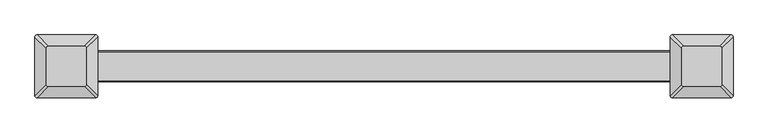
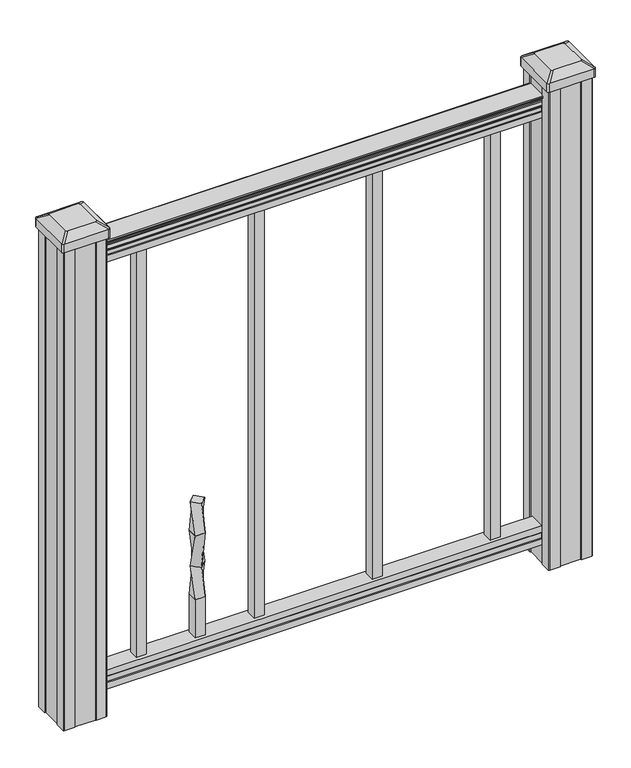
"""IFC4 building model written with IfcOpenShell, lengths in millimetres: proxy geometry."""

from ifc_helpers import new_model, si_unit, point, frame, frame_2d, origin, place, context, project, spatial, polyline, circle_curve, trimmed, segment, composite_curve, outline, extrude, source, transform, mapped, element, save
from ifc_brep_helpers import plane_surface, extruded_surface, spline_surface, advanced_brep


def specialty_equipment_ac6cd1ac(model_context):
    return source(origin(), model_context, "Body", "SolidModel", [
        advanced_brep(
        [(-222.25, 13.4703842, 368.3), (-235.7203842, 0.0, 368.3), (-222.25, -13.4703842, 368.3), (-208.7796158, 0.0, 368.3), (-231.775, 9.525, 304.8), (-212.725, 9.525, 304.8), (-212.725, -9.525, 304.8), (-231.775, -9.525, 304.8)],
        [
            (0, 1),
            (1, 2),
            (2, 3),
            (3, 0),
            (4, 5),
            (5, 6),
            (6, 7),
            (7, 4),
            (4, 0),
            (3, 5),
            (2, 6),
            (1, 7),
        ],
        [
            plane_surface(frame((-222.25, 0.0, 368.3), z_axis=(0.0, 0.0, 1.0000000000000002), x_axis=(0.7071067811865481, -0.707106781186547, 0.0))),
            plane_surface(frame((-222.25, 0.0, 304.8), z_axis=(0.0, 0.0, -1.0000000000000002), x_axis=(0.7071067811865481, -0.707106781186547, 0.0))),
            spline_surface(1, 1, [[(-212.725, 9.525, 304.8), (-208.7796158, 0.0, 368.3)], [(-231.775, 9.525, 304.8), (-222.25, 13.4703842, 368.3)]], [2, 2], [2, 2], [0.0, 1.0], [0.0, 1.0]),
            spline_surface(1, 1, [[(-212.725, -9.525, 304.8), (-222.25, -13.4703842, 368.3)], [(-212.725, 9.525, 304.8), (-208.7796158, 0.0, 368.3)]], [2, 2], [2, 2], [0.0, 1.0], [0.0, 1.0]),
            spline_surface(1, 1, [[(-231.775, -9.525, 304.8), (-235.7203842, 0.0, 368.3)], [(-212.725, -9.525, 304.8), (-222.25, -13.4703842, 368.3)]], [2, 2], [2, 2], [0.0, 1.0], [0.0, 1.0]),
            spline_surface(1, 1, [[(-231.775, 9.525, 304.8), (-222.25, 13.4703842, 368.3)], [(-231.775, -9.525, 304.8), (-235.7203842, 0.0, 368.3)]], [2, 2], [2, 2], [0.0, 1.0], [0.0, 1.0]),
        ],
        [
            (0, [[1, 2, 3, 4]]),
            (1, [[5, 6, 7, 8]]),
            (2, [[-5, 9, -4, 10]]),
            (3, [[-6, -10, -3, 11]]),
            (4, [[-7, -11, -2, 12]]),
            (5, [[-8, -12, -1, -9]]),
        ],
    ),
        advanced_brep(
        [(-231.775, 9.525, 304.8), (-231.775, -9.525, 304.8), (-212.725, -9.525, 304.8), (-212.725, 9.525, 304.8), (-222.25, 13.4703842, 241.3), (-208.7796158, 0.0, 241.3), (-222.25, -13.4703842, 241.3), (-235.7203842, 0.0, 241.3)],
        [
            (0, 1),
            (1, 2),
            (2, 3),
            (3, 0),
            (4, 5),
            (5, 6),
            (6, 7),
            (7, 4),
            (4, 0),
            (3, 5),
            (2, 6),
            (1, 7),
        ],
        [
            plane_surface(frame((-222.25, 0.0, 304.8), z_axis=(0.0, 0.0, 1.0), x_axis=(0.0, -1.0, 0.0))),
            plane_surface(frame((-222.25, 0.0, 241.3), z_axis=(0.0, 0.0, -1.0), x_axis=(0.0, -1.0, 0.0))),
            spline_surface(1, 1, [[(-208.7796158, 0.0, 241.3), (-212.725, 9.525, 304.8)], [(-222.25, 13.4703842, 241.3), (-231.775, 9.525, 304.8)]], [2, 2], [2, 2], [0.0, 1.0], [0.0, 1.0]),
            spline_surface(1, 1, [[(-222.25, -13.4703842, 241.3), (-212.725, -9.525, 304.8)], [(-208.7796158, 0.0, 241.3), (-212.725, 9.525, 304.8)]], [2, 2], [2, 2], [0.0, 1.0], [0.0, 1.0]),
            spline_surface(1, 1, [[(-235.7203842, 0.0, 241.3), (-231.775, -9.525, 304.8)], [(-222.25, -13.4703842, 241.3), (-212.725, -9.525, 304.8)]], [2, 2], [2, 2], [0.0, 1.0], [0.0, 1.0]),
            spline_surface(1, 1, [[(-222.25, 13.4703842, 241.3), (-231.775, 9.525, 304.8)], [(-235.7203842, 0.0, 241.3), (-231.775, -9.525, 304.8)]], [2, 2], [2, 2], [0.0, 1.0], [0.0, 1.0]),
        ],
        [
            (0, [[1, 2, 3, 4]]),
            (1, [[5, 6, 7, 8]]),
            (2, [[-5, 9, -4, 10]]),
            (3, [[-6, -10, -3, 11]]),
            (4, [[-7, -11, -2, 12]]),
            (5, [[-8, -12, -1, -9]]),
        ],
    ),
        advanced_brep(
        [(-222.25, 13.4703842, 241.3), (-235.7203842, 0.0, 241.3), (-222.25, -13.4703842, 241.3), (-208.7796158, 0.0, 241.3), (-231.775, 9.525, 177.8), (-212.725, 9.525, 177.8), (-212.725, -9.525, 177.8), (-231.775, -9.525, 177.8)],
        [
            (0, 1),
            (1, 2),
            (2, 3),
            (3, 0),
            (4, 5),
            (5, 6),
            (6, 7),
            (7, 4),
            (4, 0),
            (3, 5),
            (2, 6),
            (1, 7),
        ],
        [
            plane_surface(frame((-222.25, 0.0, 241.3), z_axis=(0.0, 0.0, 1.0000000000000002), x_axis=(0.7071067811865481, -0.707106781186547, 0.0))),
            plane_surface(frame((-222.25, 0.0, 177.8), z_axis=(0.0, 0.0, -1.0000000000000002), x_axis=(0.7071067811865481, -0.707106781186547, 0.0))),
            spline_surface(1, 1, [[(-212.725, 9.525, 177.8), (-208.7796158, 0.0, 241.3)], [(-231.775, 9.525, 177.8), (-222.25, 13.4703842, 241.3)]], [2, 2], [2, 2], [0.0, 1.0], [0.0, 1.0]),
            spline_surface(1, 1, [[(-212.725, -9.525, 177.8), (-222.25, -13.4703842, 241.3)], [(-212.725, 9.525, 177.8), (-208.7796158, 0.0, 241.3)]], [2, 2], [2, 2], [0.0, 1.0], [0.0, 1.0]),
            spline_surface(1, 1, [[(-231.775, -9.525, 177.8), (-235.7203842, 0.0, 241.3)], [(-212.725, -9.525, 177.8), (-222.25, -13.4703842, 241.3)]], [2, 2], [2, 2], [0.0, 1.0], [0.0, 1.0]),
            spline_surface(1, 1, [[(-231.775, 9.525, 177.8), (-222.25, 13.4703842, 241.3)], [(-231.775, -9.525, 177.8), (-235.7203842, 0.0, 241.3)]], [2, 2], [2, 2], [0.0, 1.0], [0.0, 1.0]),
        ],
        [
            (0, [[1, 2, 3, 4]]),
            (1, [[5, 6, 7, 8]]),
            (2, [[-5, 9, -4, 10]]),
            (3, [[-6, -10, -3, 11]]),
            (4, [[-7, -11, -2, 12]]),
            (5, [[-8, -12, -1, -9]]),
        ],
    ),
        extrude(outline(polyline([(-212.725, 9.525), (-212.725, -9.525), (-231.775, -9.525), (-231.775, 9.525), (-212.725, 9.525)])), frame((0.0, 0.0, 101.6), z_axis=(0.0, 0.0, 1.0), x_axis=(1.0, 0.0, 0.0)), (0.0, 0.0, 1.0), 76.2),
        extrude(outline(composite_curve([segment(polyline([(938.4043297, 17.4328287), (940.292412, 17.4328287)]), True, "CONTINUOUS"), segment(trimmed(circle_curve(frame_2d((946.0506383, 11.1180755)), 8.545951), [point((940.292412, 17.4328287))], [point((941.8546695, 18.563015))], False, "CARTESIAN"), True, "CONTINUOUS"), segment(trimmed(circle_curve(frame_2d((945.4636577, 11.5551384)), 7.882584), [point((941.8546695, 18.563015))], [point((949.0726458, 18.563015))], False, "CARTESIAN"), True, "CONTINUOUS"), segment(trimmed(circle_curve(frame_2d((951.3112527, 22.0684625)), 4.1592695), [point((949.0726458, 18.563015))], [point((951.5060812, 17.9137586))], True, "CARTESIAN"), True, "CONTINUOUS"), segment(trimmed(circle_curve(frame_2d((951.2508864, 23.3557691)), 5.4479907), [point((951.5060812, 17.9137586))], [point((955.8362083, 20.4137586))], True, "CARTESIAN"), True, "CONTINUOUS"), segment(trimmed(circle_curve(frame_2d((955.833395, 22.1226107)), 1.7088543), [point((955.8362083, 20.4137586))], [point((957.5157972, 21.8231011))], True, "CARTESIAN"), True, "CONTINUOUS"), segment(trimmed(circle_curve(frame_2d((958.6205318, 20.5057106)), 1.7192895), [point((957.5157972, 21.8231011))], [point((958.6205318, 22.2250001))], False, "CARTESIAN"), True, "CONTINUOUS"), segment(polyline([(958.6205318, 22.2250001), (959.9608158, 22.225)]), True, "CONTINUOUS"), segment(trimmed(circle_curve(frame_2d((959.9608158, 20.6715528)), 1.5534472), [point((959.9608158, 22.225))], [point((961.514263, 20.6715528))], False, "CARTESIAN"), True, "CONTINUOUS"), segment(polyline([(961.514263, 20.6715528), (961.514263, -20.6715528)]), True, "CONTINUOUS"), segment(trimmed(circle_curve(frame_2d((959.9608158, -20.6715528)), 1.5534472), [point((961.514263, -20.6715528))], [point((959.9608158, -22.225))], False, "CARTESIAN"), True, "CONTINUOUS"), segment(polyline([(959.9608158, -22.225), (958.6205318, -22.225)]), True, "CONTINUOUS"), segment(trimmed(circle_curve(frame_2d((958.6205318, -20.5057106)), 1.7192895), [point((958.6205318, -22.225))], [point((957.5157972, -21.8231011))], False, "CARTESIAN"), True, "CONTINUOUS"), segment(trimmed(circle_curve(frame_2d((955.833395, -22.1226107)), 1.7088543), [point((957.5157972, -21.8231011))], [point((955.8362083, -20.4137586))], True, "CARTESIAN"), True, "CONTINUOUS"), segment(trimmed(circle_curve(frame_2d((951.2508864, -23.3557691)), 5.4479907), [point((955.8362083, -20.4137586))], [point((951.5060812, -17.9137586))], True, "CARTESIAN"), True, "CONTINUOUS"), segment(trimmed(circle_curve(frame_2d((951.3112527, -22.0684625)), 4.1592695), [point((951.5060812, -17.9137586))], [point((949.0726458, -18.563015))], True, "CARTESIAN"), True, "CONTINUOUS"), segment(trimmed(circle_curve(frame_2d((945.4636577, -11.5551384)), 7.882584), [point((949.0726458, -18.563015))], [point((941.8546695, -18.563015))], False, "CARTESIAN"), True, "CONTINUOUS"), segment(trimmed(circle_curve(frame_2d((946.0506383, -11.1180755)), 8.545951), [point((941.8546695, -18.563015))], [point((940.292412, -17.4328287))], False, "CARTESIAN"), True, "CONTINUOUS"), segment(polyline([(940.292412, -17.4328287), (938.4043297, -17.4328287)]), True, "CONTINUOUS"), segment(trimmed(circle_curve(frame_2d((938.4043297, -16.1459144)), 1.2869144), [point((938.4043297, -17.4328287))], [point((938.4043297, -14.859))], False, "CARTESIAN"), True, "CONTINUOUS"), segment(polyline([(938.4043297, -14.859), (927.9048283, -14.859), (926.8888283, -15.875), (914.4, -15.875), (914.4, 15.875), (926.731013, 15.875), (927.747013, 14.859), (938.4043297, 14.859)]), True, "CONTINUOUS"), segment(trimmed(circle_curve(frame_2d((938.4043297, 16.1459144)), 1.2869144), [point((938.4043297, 14.859))], [point((938.4043297, 17.4328287))], False, "CARTESIAN"), True, "CONTINUOUS")], self_intersect=False)), frame((457.2, 0.0, 0.0), z_axis=(-1.0, 0.0, 0.0), x_axis=(0.0, 0.0, 1.0)), (0.0, 0.0, 1.0), 914.4),
        extrude(outline(polyline([(-15.9124869, 76.0541976), (-14.8964869, 77.3546183), (-14.8964869, 87.7141717), (-15.9124869, 89.0624492), (-15.9124869, 101.5958781), (15.8375131, 101.5958781), (15.8375131, 89.0458024), (14.8215131, 87.6975248), (14.8215131, 77.3858283), (15.8375131, 76.0375508), (15.8375131, 63.5), (-15.9124869, 63.5), (-15.9124869, 76.0541976)])), frame((-457.2, 0.0, 0.0), z_axis=(1.0, 0.0, 0.0), x_axis=(0.0, 1.0, 0.0)), (0.0, 0.0, 1.0), 914.4),
        advanced_brep(
        [(431.403125, 28.971875, 1012.825), (428.228125, 25.796875, 1012.825), (428.228125, -25.796875, 1012.825), (431.403125, -28.971875, 1012.825), (482.996875, -28.971875, 1012.825), (486.171875, -25.796875, 1012.825), (486.171875, 25.796875, 1012.825), (482.996875, 28.971875, 1012.825), (415.13125, 45.24375, 1001.522), (499.26875, 45.24375, 1001.522), (502.44375, 42.06875, 1001.522), (502.44375, -42.06875, 1001.522), (499.26875, -45.24375, 1001.522), (415.13125, -45.24375, 1001.522), (411.95625, -42.06875, 1001.522), (411.95625, 42.06875, 1001.522)],
        [
            (0, 1, circle_curve(frame((431.403125, 25.796875, 1012.825), z_axis=(0.0, 0.0, 1.0), x_axis=(0.0, -1.0, 0.0)), 3.175)),
            (1, 2),
            (2, 3, circle_curve(frame((431.403125, -25.796875, 1012.825), z_axis=(0.0, 0.0, 1.0), x_axis=(0.0, -1.0, 0.0)), 3.175)),
            (3, 4),
            (4, 5, circle_curve(frame((482.996875, -25.796875, 1012.825), z_axis=(0.0, 0.0, 1.0), x_axis=(0.0, -1.0, 0.0)), 3.175)),
            (5, 6),
            (6, 7, circle_curve(frame((482.996875, 25.796875, 1012.825), z_axis=(0.0, 0.0, 1.0), x_axis=(0.0, -1.0, 0.0)), 3.175)),
            (7, 0),
            (8, 9),
            (9, 10, circle_curve(frame((499.26875, 42.06875, 1001.522), z_axis=(0.0, 0.0, -1.0), x_axis=(0.0, -1.0, 0.0)), 3.175)),
            (10, 11),
            (11, 12, circle_curve(frame((499.26875, -42.06875, 1001.522), z_axis=(0.0, 0.0, -1.0), x_axis=(0.0, -1.0, 0.0)), 3.175)),
            (12, 13),
            (13, 14, circle_curve(frame((415.13125, -42.06875, 1001.522), z_axis=(0.0, 0.0, -1.0), x_axis=(0.0, -1.0, 0.0)), 3.175)),
            (14, 15),
            (15, 8, circle_curve(frame((415.13125, 42.06875, 1001.522), z_axis=(0.0, 0.0, -1.0), x_axis=(0.0, -1.0, 0.0)), 3.175)),
            (15, 1),
            (0, 8),
            (14, 2),
            (13, 3),
            (12, 4),
            (11, 5),
            (10, 6),
            (9, 7),
        ],
        [
            plane_surface(frame((457.2, 0.0, 1012.825), z_axis=(0.0, 0.0, 1.0), x_axis=(-1.0, 0.0, 0.0))),
            plane_surface(frame((457.2, 0.0, 1001.522), z_axis=(0.0, 0.0, -1.0), x_axis=(-1.0, 0.0, 0.0))),
            extruded_surface(trimmed(circle_curve(frame((415.13125, 42.06875, 1001.522), z_axis=(0.0, 0.0, 1.0), x_axis=(0.0, -1.0, 0.0)), 3.175), [point((415.13125, 45.24375, 1001.522))], [point((411.95625, 42.06875, 1001.522))], True, "CARTESIAN"), (16.271874999999966, -16.271875, 11.302999999999997), 25.63797263886614),
            plane_surface(frame((411.95625, 0.0, 1001.522), z_axis=(-0.5705009161540779, 0.0, 0.8212969649690408), x_axis=(0.0, -1.0, 0.0))),
            extruded_surface(trimmed(circle_curve(frame((415.13125, -42.06875, 1001.522), z_axis=(0.0, 0.0, 1.0), x_axis=(0.0, -1.0, 0.0)), 3.175), [point((411.95625, -42.06875, 1001.522))], [point((415.13125, -45.24375, 1001.522))], True, "CARTESIAN"), (16.271874999999966, 16.271875, 11.302999999999997), 25.63797263886614),
            plane_surface(frame((457.2, -45.24375, 1001.522), z_axis=(0.0, -0.5705009161540291, 0.8212969649690747), x_axis=(1.0, 0.0, 0.0))),
            extruded_surface(trimmed(circle_curve(frame((499.26875, -42.06875, 1001.522), z_axis=(0.0, 0.0, 1.0), x_axis=(0.0, -1.0, 0.0)), 3.175), [point((499.26875, -45.24375, 1001.522))], [point((502.44375, -42.06875, 1001.522))], True, "CARTESIAN"), (-16.271875000000023, 16.271875, 11.302999999999997), 25.637972638866177),
            plane_surface(frame((502.44375, 0.0, 1001.522), z_axis=(0.5705009161540141, 0.0, 0.8212969649690851), x_axis=(0.0, 1.0, 0.0))),
            extruded_surface(trimmed(circle_curve(frame((499.26875, 42.06875, 1001.522), z_axis=(0.0, 0.0, 1.0), x_axis=(0.0, -1.0, 0.0)), 3.175), [point((502.44375, 42.06875, 1001.522))], [point((499.26875, 45.24375, 1001.522))], True, "CARTESIAN"), (-16.271875000000023, -16.271875, 11.302999999999997), 25.637972638866177),
            plane_surface(frame((457.2, 45.24375, 1001.522), z_axis=(0.0, 0.570500916154034, 0.8212969649690713), x_axis=(-1.0, 0.0, 0.0))),
        ],
        [
            (0, [[1, 2, 3, 4, 5, 6, 7, 8]]),
            (1, [[9, 10, 11, 12, 13, 14, 15, 16]]),
            (2, [[-16, 17, -1, 18]]),
            (3, [[-15, 19, -2, -17]]),
            (4, [[-14, 20, -3, -19]]),
            (5, [[-13, 21, -4, -20]]),
            (6, [[-12, 22, -5, -21]]),
            (7, [[-11, 23, -6, -22]]),
            (8, [[-10, 24, -7, -23]]),
            (9, [[-9, -18, -8, -24]]),
        ],
    ),
        extrude(outline(composite_curve([segment(polyline([(415.13125, 45.24375), (499.26875, 45.24375)]), True, "CONTINUOUS"), segment(trimmed(circle_curve(frame_2d((499.26875, 42.06875)), 3.175), [point((499.26875, 45.24375))], [point((502.44375, 42.06875))], False, "CARTESIAN"), True, "CONTINUOUS"), segment(polyline([(502.44375, 42.06875), (502.44375, -42.06875)]), True, "CONTINUOUS"), segment(trimmed(circle_curve(frame_2d((499.26875, -42.06875)), 3.175), [point((502.44375, -42.06875))], [point((499.26875, -45.24375))], False, "CARTESIAN"), True, "CONTINUOUS"), segment(polyline([(499.26875, -45.24375), (415.13125, -45.24375)]), True, "CONTINUOUS"), segment(trimmed(circle_curve(frame_2d((415.13125, -42.06875)), 3.175), [point((415.13125, -45.24375))], [point((411.95625, -42.06875))], False, "CARTESIAN"), True, "CONTINUOUS"), segment(polyline([(411.95625, -42.06875), (411.95625, 42.06875)]), True, "CONTINUOUS"), segment(trimmed(circle_curve(frame_2d((415.13125, 42.06875)), 3.175), [point((411.95625, 42.06875))], [point((415.13125, 45.24375))], False, "CARTESIAN"), True, "CONTINUOUS")], self_intersect=False)), frame((0.0, 0.0, 984.25), z_axis=(0.0, 0.0, 1.0), x_axis=(1.0, 0.0, 0.0)), (0.0, 0.0, 1.0), 17.272),
        extrude(outline(polyline([(417.5125, 41.275), (437.134, 41.275), (437.896, 39.6875), (476.504, 39.6875), (477.266, 41.275), (496.8875, 41.275), (498.475, 39.6875), (498.475, 20.066), (496.8875, 19.304), (496.8875, -19.304), (498.475, -20.066), (498.475, -39.6875), (496.8875, -41.275), (477.266, -41.275), (476.504, -39.6875), (437.896, -39.6875), (437.134, -41.275), (417.5125, -41.275), (415.925, -39.6875), (415.925, -20.066), (417.5125, -19.304), (417.5125, 19.304), (415.925, 20.066), (415.925, 39.6875), (417.5125, 41.275)])), frame((0.0, 0.0, 28.575), z_axis=(0.0, 0.0, 1.0), x_axis=(1.0, 0.0, 0.0)), (0.0, 0.0, 1.0), 955.675),
        advanced_brep(
        [(-482.996875, 28.971875, 1012.825), (-486.171875, 25.796875, 1012.825), (-486.171875, -25.796875, 1012.825), (-482.996875, -28.971875, 1012.825), (-431.403125, -28.971875, 1012.825), (-428.228125, -25.796875, 1012.825), (-428.228125, 25.796875, 1012.825), (-431.403125, 28.971875, 1012.825), (-499.26875, 45.24375, 1001.522), (-415.13125, 45.24375, 1001.522), (-411.95625, 42.06875, 1001.522), (-411.95625, -42.06875, 1001.522), (-415.13125, -45.24375, 1001.522), (-499.26875, -45.24375, 1001.522), (-502.44375, -42.06875, 1001.522), (-502.44375, 42.06875, 1001.522)],
        [
            (0, 1, circle_curve(frame((-482.996875, 25.796875, 1012.825), z_axis=(0.0, 0.0, 1.0), x_axis=(0.0, -1.0, 0.0)), 3.175)),
            (1, 2),
            (2, 3, circle_curve(frame((-482.996875, -25.796875, 1012.825), z_axis=(0.0, 0.0, 1.0), x_axis=(0.0, -1.0, 0.0)), 3.175)),
            (3, 4),
            (4, 5, circle_curve(frame((-431.403125, -25.796875, 1012.825), z_axis=(0.0, 0.0, 1.0), x_axis=(0.0, -1.0, 0.0)), 3.175)),
            (5, 6),
            (6, 7, circle_curve(frame((-431.403125, 25.796875, 1012.825), z_axis=(0.0, 0.0, 1.0), x_axis=(0.0, -1.0, 0.0)), 3.175)),
            (7, 0),
            (8, 9),
            (9, 10, circle_curve(frame((-415.13125, 42.06875, 1001.522), z_axis=(0.0, 0.0, -1.0), x_axis=(0.0, -1.0, 0.0)), 3.175)),
            (10, 11),
            (11, 12, circle_curve(frame((-415.13125, -42.06875, 1001.522), z_axis=(0.0, 0.0, -1.0), x_axis=(0.0, -1.0, 0.0)), 3.175)),
            (12, 13),
            (13, 14, circle_curve(frame((-499.26875, -42.06875, 1001.522), z_axis=(0.0, 0.0, -1.0), x_axis=(0.0, -1.0, 0.0)), 3.175)),
            (14, 15),
            (15, 8, circle_curve(frame((-499.26875, 42.06875, 1001.522), z_axis=(0.0, 0.0, -1.0), x_axis=(0.0, -1.0, 0.0)), 3.175)),
            (15, 1),
            (0, 8),
            (14, 2),
            (13, 3),
            (12, 4),
            (11, 5),
            (10, 6),
            (9, 7),
        ],
        [
            plane_surface(frame((-457.2, 0.0, 1012.825), z_axis=(0.0, 0.0, 1.0), x_axis=(-1.0, 0.0, 0.0))),
            plane_surface(frame((-457.2, 0.0, 1001.522), z_axis=(0.0, 0.0, -1.0), x_axis=(-1.0, 0.0, 0.0))),
            extruded_surface(trimmed(circle_curve(frame((-499.26875, 42.06875, 1001.522), z_axis=(0.0, 0.0, 1.0), x_axis=(0.0, -1.0, 0.0)), 3.175), [point((-499.26875, 45.24375, 1001.522))], [point((-502.44375, 42.06875, 1001.522))], True, "CARTESIAN"), (16.271875000000023, -16.271875, 11.302999999999997), 25.637972638866177),
            plane_surface(frame((-502.44375, 0.0, 1001.522), z_axis=(-0.5705009161540779, 0.0, 0.8212969649690408), x_axis=(0.0, -1.0, 0.0))),
            extruded_surface(trimmed(circle_curve(frame((-499.26875, -42.06875, 1001.522), z_axis=(0.0, 0.0, 1.0), x_axis=(0.0, -1.0, 0.0)), 3.175), [point((-502.44375, -42.06875, 1001.522))], [point((-499.26875, -45.24375, 1001.522))], True, "CARTESIAN"), (16.271875000000023, 16.271875, 11.302999999999997), 25.637972638866177),
            plane_surface(frame((-457.2, -45.24375, 1001.522), z_axis=(0.0, -0.5705009161540291, 0.8212969649690747), x_axis=(1.0, 0.0, 0.0))),
            extruded_surface(trimmed(circle_curve(frame((-415.13125, -42.06875, 1001.522), z_axis=(0.0, 0.0, 1.0), x_axis=(0.0, -1.0, 0.0)), 3.175), [point((-415.13125, -45.24375, 1001.522))], [point((-411.95625, -42.06875, 1001.522))], True, "CARTESIAN"), (-16.271874999999966, 16.271875, 11.302999999999997), 25.63797263886614),
            plane_surface(frame((-411.95625, 0.0, 1001.522), z_axis=(0.5705009161540141, 0.0, 0.8212969649690851), x_axis=(0.0, 1.0, 0.0))),
            extruded_surface(trimmed(circle_curve(frame((-415.13125, 42.06875, 1001.522), z_axis=(0.0, 0.0, 1.0), x_axis=(0.0, -1.0, 0.0)), 3.175), [point((-411.95625, 42.06875, 1001.522))], [point((-415.13125, 45.24375, 1001.522))], True, "CARTESIAN"), (-16.271874999999966, -16.271875, 11.302999999999997), 25.63797263886614),
            plane_surface(frame((-457.2, 45.24375, 1001.522), z_axis=(0.0, 0.570500916154034, 0.8212969649690713), x_axis=(-1.0, 0.0, 0.0))),
        ],
        [
            (0, [[1, 2, 3, 4, 5, 6, 7, 8]]),
            (1, [[9, 10, 11, 12, 13, 14, 15, 16]]),
            (2, [[-16, 17, -1, 18]]),
            (3, [[-15, 19, -2, -17]]),
            (4, [[-14, 20, -3, -19]]),
            (5, [[-13, 21, -4, -20]]),
            (6, [[-12, 22, -5, -21]]),
            (7, [[-11, 23, -6, -22]]),
            (8, [[-10, 24, -7, -23]]),
            (9, [[-9, -18, -8, -24]]),
        ],
    ),
        extrude(outline(composite_curve([segment(polyline([(-499.26875, 45.24375), (-415.13125, 45.24375)]), True, "CONTINUOUS"), segment(trimmed(circle_curve(frame_2d((-415.13125, 42.06875)), 3.175), [point((-415.13125, 45.24375))], [point((-411.95625, 42.06875))], False, "CARTESIAN"), True, "CONTINUOUS"), segment(polyline([(-411.95625, 42.06875), (-411.95625, -42.06875)]), True, "CONTINUOUS"), segment(trimmed(circle_curve(frame_2d((-415.13125, -42.06875)), 3.175), [point((-411.95625, -42.06875))], [point((-415.13125, -45.24375))], False, "CARTESIAN"), True, "CONTINUOUS"), segment(polyline([(-415.13125, -45.24375), (-499.26875, -45.24375)]), True, "CONTINUOUS"), segment(trimmed(circle_curve(frame_2d((-499.26875, -42.06875)), 3.175), [point((-499.26875, -45.24375))], [point((-502.44375, -42.06875))], False, "CARTESIAN"), True, "CONTINUOUS"), segment(polyline([(-502.44375, -42.06875), (-502.44375, 42.06875)]), True, "CONTINUOUS"), segment(trimmed(circle_curve(frame_2d((-499.26875, 42.06875)), 3.175), [point((-502.44375, 42.06875))], [point((-499.26875, 45.24375))], False, "CARTESIAN"), True, "CONTINUOUS")], self_intersect=False)), frame((0.0, 0.0, 984.25), z_axis=(0.0, 0.0, 1.0), x_axis=(1.0, 0.0, 0.0)), (0.0, 0.0, 1.0), 17.272),
        extrude(outline(polyline([(-496.8875, 41.275), (-477.266, 41.275), (-476.504, 39.6875), (-437.896, 39.6875), (-437.134, 41.275), (-417.5125, 41.275), (-415.925, 39.6875), (-415.925, 20.066), (-417.5125, 19.304), (-417.5125, -19.304), (-415.925, -20.066), (-415.925, -39.6875), (-417.5125, -41.275), (-437.134, -41.275), (-437.896, -39.6875), (-476.504, -39.6875), (-477.266, -41.275), (-496.8875, -41.275), (-498.475, -39.6875), (-498.475, -20.066), (-496.8875, -19.304), (-496.8875, 19.304), (-498.475, 20.066), (-498.475, 39.6875), (-496.8875, 41.275)])), frame((0.0, 0.0, 28.575), z_axis=(0.0, 0.0, 1.0), x_axis=(1.0, 0.0, 0.0)), (0.0, 0.0, 1.0), 955.675),
        extrude(outline(polyline([(120.65, 9.525), (120.65, -9.525), (101.6, -9.525), (101.6, 9.525), (120.65, 9.525)])), frame((0.0, 0.0, 101.6), z_axis=(0.0, 0.0, 1.0), x_axis=(1.0, 0.0, 0.0)), (0.0, 0.0, 1.0), 812.8),
        extrude(outline(polyline([(-101.6, 9.525), (-101.6, -9.525), (-120.65, -9.525), (-120.65, 9.525), (-101.6, 9.525)])), frame((0.0, 0.0, 101.6), z_axis=(0.0, 0.0, 1.0), x_axis=(1.0, 0.0, 0.0)), (0.0, 0.0, 1.0), 812.8),
        extrude(outline(polyline([(342.9, 9.525), (342.9, -9.525), (323.85, -9.525), (323.85, 9.525), (342.9, 9.525)])), frame((0.0, 0.0, 101.6), z_axis=(0.0, 0.0, 1.0), x_axis=(1.0, 0.0, 0.0)), (0.0, 0.0, 1.0), 812.8),
        extrude(outline(polyline([(-323.85, 9.525), (-323.85, -9.525), (-342.9, -9.525), (-342.9, 9.525), (-323.85, 9.525)])), frame((0.0, 0.0, 101.6), z_axis=(0.0, 0.0, 1.0), x_axis=(1.0, 0.0, 0.0)), (0.0, 0.0, 1.0), 812.8),
    ])


if __name__ == "__main__":
    model = new_model("IFC4")
    model_context = context("Model", 3, world=origin())
    ifc_project = project(units=[si_unit("LENGTHUNIT", "METRE", prefix="MILLI")], contexts=[model_context])
    site = spatial("IfcSite", under=ifc_project)
    building = spatial("IfcBuilding", under=site)
    placement = place(None, origin())
    specialty_equipment_shape = specialty_equipment_ac6cd1ac(model_context)
    element("IfcBuildingElementProxy", 1, Name="Specialty Equipment", at=placement, inside=building, context=model_context, shape_type="MappedRepresentation", body=[
        mapped(specialty_equipment_shape, transform((0.0, 0.0, 0.0), x_axis=(1.0, 0.0, 0.0), y_axis=(0.0, 1.0, 0.0), z_axis=(0.0, 0.0, 1.0))),
    ])
    save(model, "model.ifc")
